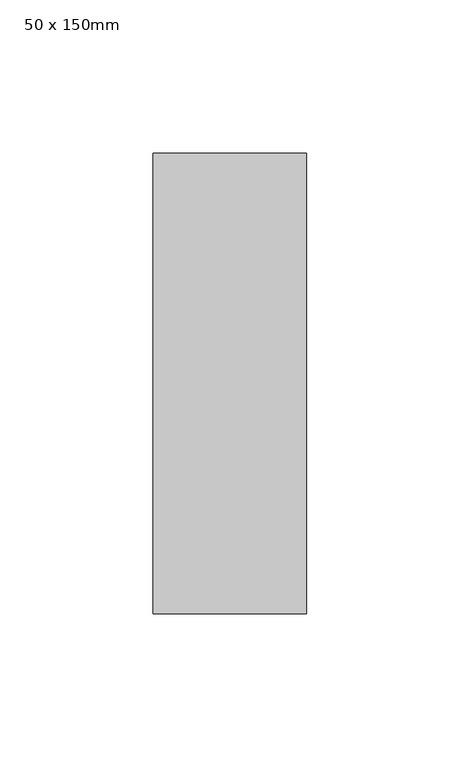
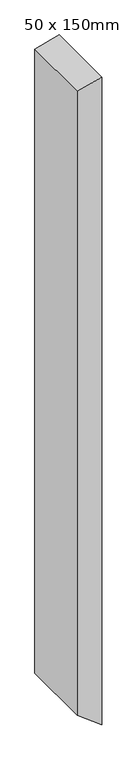
"""IFC4 building model written with IfcOpenShell, lengths in millimetres: member geometry, 50 x 150mm."""

from ifc_helpers import new_model, si_unit, frame, origin, place, context, project, spatial, polyline, outline, extrude, source, transform, mapped, element, save


def member_50_x_150mm_817cc862(model_context):
    return source(origin(), model_context, "Body", "SweptSolid", [
        extrude(outline(polyline([(-0.8819045, 0.0), (-14.2793641, -50.0), (-1361.9441582, -50.0), (-1400.4975792, 0.0), (-0.8819045, 0.0)])), frame((0.0, -75.0, 0.0), z_axis=(0.0, 1.0, 0.0), x_axis=(0.0, 0.0, 1.0)), (0.0, 0.0, 1.0), 150.0),
    ])


if __name__ == "__main__":
    model = new_model("IFC4")
    model_context = context("Model", 3, world=origin())
    ifc_project = project(units=[si_unit("LENGTHUNIT", "METRE", prefix="MILLI")], contexts=[model_context])
    site = spatial("IfcSite", under=ifc_project)
    building = spatial("IfcBuilding", under=site)
    placement = place(None, origin())
    member_50_x_150mm_shape = member_50_x_150mm_817cc862(model_context)
    element("IfcMember", 1, ObjectType="50 x 150mm", at=placement, inside=building, context=model_context, shape_type="MappedRepresentation", body=[
        mapped(member_50_x_150mm_shape, transform((0.0, 0.0, 0.0), x_axis=(1.0, 0.0, 0.0), y_axis=(0.0, 1.0, 0.0), z_axis=(0.0, 0.0, 1.0))),
    ])
    save(model, "model.ifc")
